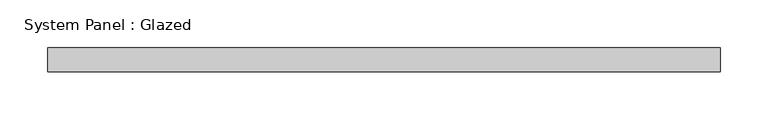
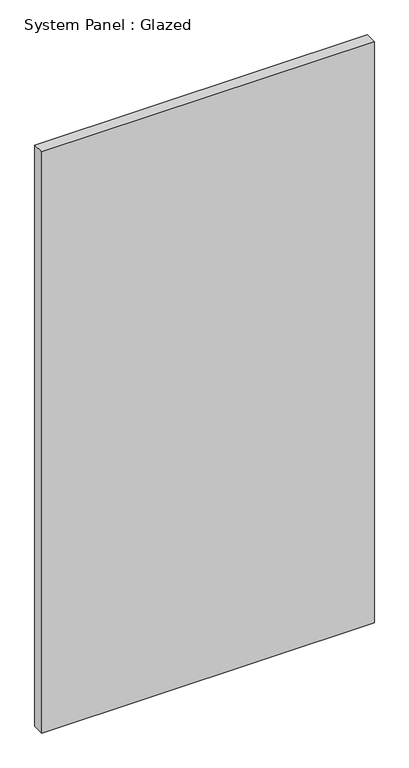
"""IFC4 building model written with IfcOpenShell, lengths in millimetres: plate geometry, System Panel : Glazed."""

from ifc_helpers import new_model, si_unit, origin, origin_with_axes, place, context, project, spatial, polyline, outline, extrude, source, transform, mapped, element, save


def system_panel_glazed_b289254b(model_context):
    return source(origin(), model_context, "Body", "SweptSolid", [
        extrude(outline(polyline([(352.425, -12.7), (-352.425, -12.7), (-352.425, 12.7), (352.425, 12.7), (352.425, -12.7)])), origin_with_axes(), (0.0, 0.0, 1.0), 1301.75),
    ])


if __name__ == "__main__":
    model = new_model("IFC4")
    model_context = context("Model", 3, world=origin())
    ifc_project = project(units=[si_unit("LENGTHUNIT", "METRE", prefix="MILLI")], contexts=[model_context])
    site = spatial("IfcSite", under=ifc_project)
    building = spatial("IfcBuilding", under=site)
    placement = place(None, origin())
    system_panel_glazed_shape = system_panel_glazed_b289254b(model_context)
    element("IfcPlate", 1, ObjectType="System Panel : Glazed", at=placement, inside=building, context=model_context, shape_type="MappedRepresentation", body=[
        mapped(system_panel_glazed_shape, transform((0.0, 0.0, 0.0), x_axis=(1.0, 0.0, 0.0), y_axis=(0.0, 1.0, 0.0), z_axis=(0.0, 0.0, 1.0))),
    ])
    save(model, "model.ifc")
